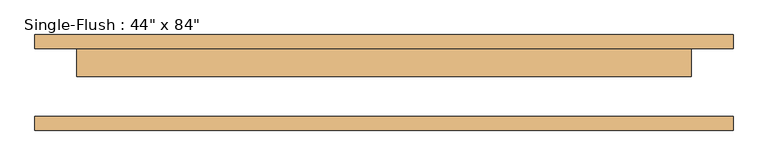
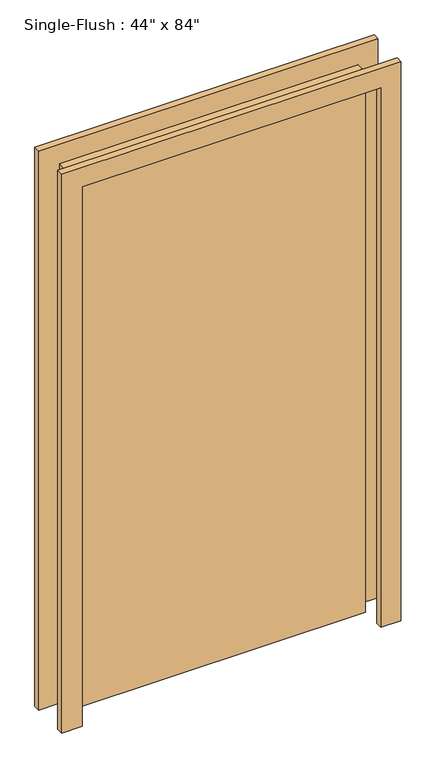
"""IFC4 building model written with IfcOpenShell, lengths in millimetres: door geometry."""

from ifc_helpers import new_model, si_unit, frame, origin, origin_with_axes, place, context, project, spatial, polyline, outline, extrude, source, transform, mapped, element, save


def door_4f3606a0(model_context):
    return source(origin(), model_context, "Body", "SweptSolid", [
        extrude(outline(polyline([(2209.8, -635.0), (0.0, -635.0), (0.0, -558.8), (2133.6, -558.8), (2133.6, 558.8), (0.0, 558.8), (0.0, 635.0), (2209.8, 635.0), (2209.8, -635.0)])), frame((0.0, 61.9125, 0.0), z_axis=(0.0, 1.0, 0.0), x_axis=(0.0, 0.0, 1.0)), (0.0, 0.0, 1.0), 25.4),
        extrude(outline(polyline([(2209.8, 635.0), (2209.8, -635.0), (0.0, -635.0), (0.0, -558.8), (2133.6, -558.8), (2133.6, 558.8), (0.0, 558.8), (0.0, 635.0), (2209.8, 635.0)])), frame((0.0, -87.3125, 0.0), z_axis=(0.0, 1.0, 0.0), x_axis=(0.0, 0.0, 1.0)), (0.0, 0.0, 1.0), 25.4),
        extrude(outline(polyline([(558.8, 11.1125), (-558.8, 11.1125), (-558.8, 61.9125), (558.8, 61.9125), (558.8, 11.1125)])), origin_with_axes(), (0.0, 0.0, 1.0), 2133.6),
    ])


if __name__ == "__main__":
    model = new_model("IFC4")
    model_context = context("Model", 3, world=origin())
    ifc_project = project(units=[si_unit("LENGTHUNIT", "METRE", prefix="MILLI")], contexts=[model_context])
    site = spatial("IfcSite", under=ifc_project)
    building = spatial("IfcBuilding", under=site)
    placement = place(None, origin())
    door_shape = door_4f3606a0(model_context)
    element("IfcDoor", 1, ObjectType="Single-Flush : 44\" x 84\"", at=placement, inside=building, context=model_context, shape_type="MappedRepresentation", body=[
        mapped(door_shape, transform((0.0, 0.0, 0.0), x_axis=(1.0, 0.0, 0.0), y_axis=(0.0, 1.0, 0.0), z_axis=(0.0, 0.0, 1.0))),
    ])
    save(model, "model.ifc")
